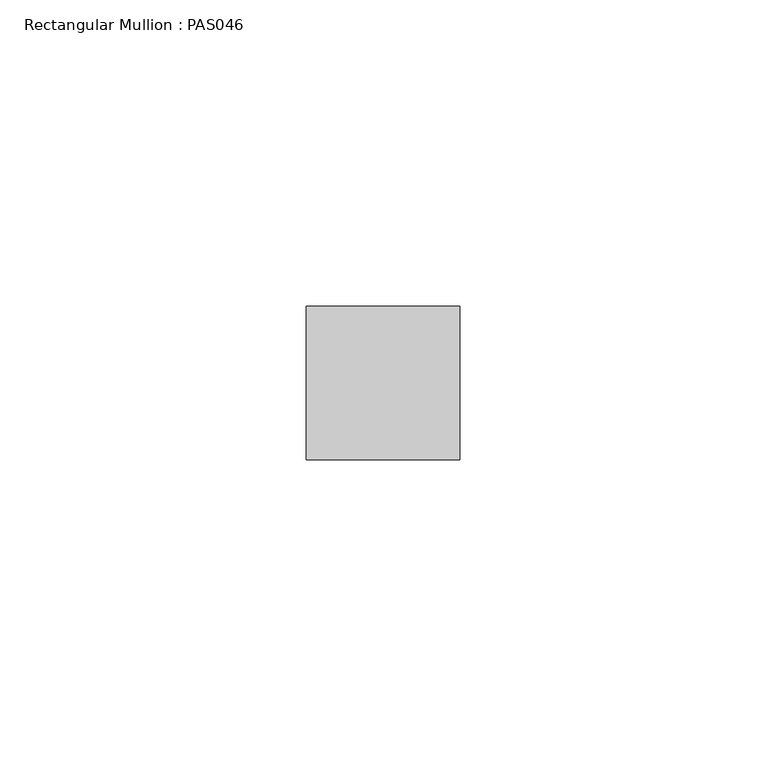
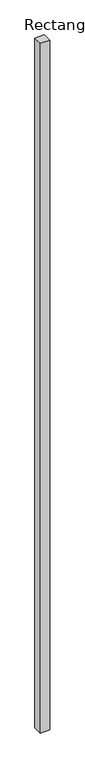
"""IFC4 building model written with IfcOpenShell, lengths in millimetres: member geometry, Rectangular Mullion : PAS046."""

from ifc_helpers import new_model, si_unit, frame, origin, place, context, project, spatial, polyline, outline, extrude, source, transform, mapped, element, save


def rectangular_mullion_pas046_ce49faa7(model_context):
    return source(origin(), model_context, "Body", "SweptSolid", [
        extrude(outline(polyline([(-25.0, 0.0), (-25.0, 25.0), (0.0, 25.0), (0.0, 0.0), (-25.0, 0.0)])), frame((0.0, 0.0, -1950.0), z_axis=(0.0, 0.0, 1.0), x_axis=(1.0, 0.0, 0.0)), (0.0, 0.0, 1.0), 1950.0),
    ])


if __name__ == "__main__":
    model = new_model("IFC4")
    model_context = context("Model", 3, world=origin())
    ifc_project = project(units=[si_unit("LENGTHUNIT", "METRE", prefix="MILLI")], contexts=[model_context])
    site = spatial("IfcSite", under=ifc_project)
    building = spatial("IfcBuilding", under=site)
    placement = place(None, origin())
    rectangular_mullion_pas046_shape = rectangular_mullion_pas046_ce49faa7(model_context)
    element("IfcMember", 1, ObjectType="Rectangular Mullion : PAS046", at=placement, inside=building, context=model_context, shape_type="MappedRepresentation", body=[
        mapped(rectangular_mullion_pas046_shape, transform((0.0, 0.0, 0.0), x_axis=(1.0, 0.0, 0.0), y_axis=(0.0, 1.0, 0.0), z_axis=(0.0, 0.0, 1.0))),
    ])
    save(model, "model.ifc")
